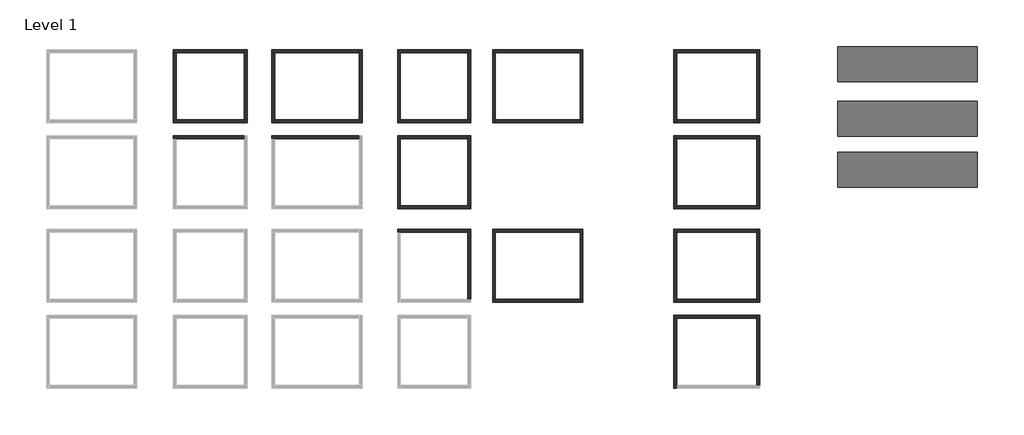
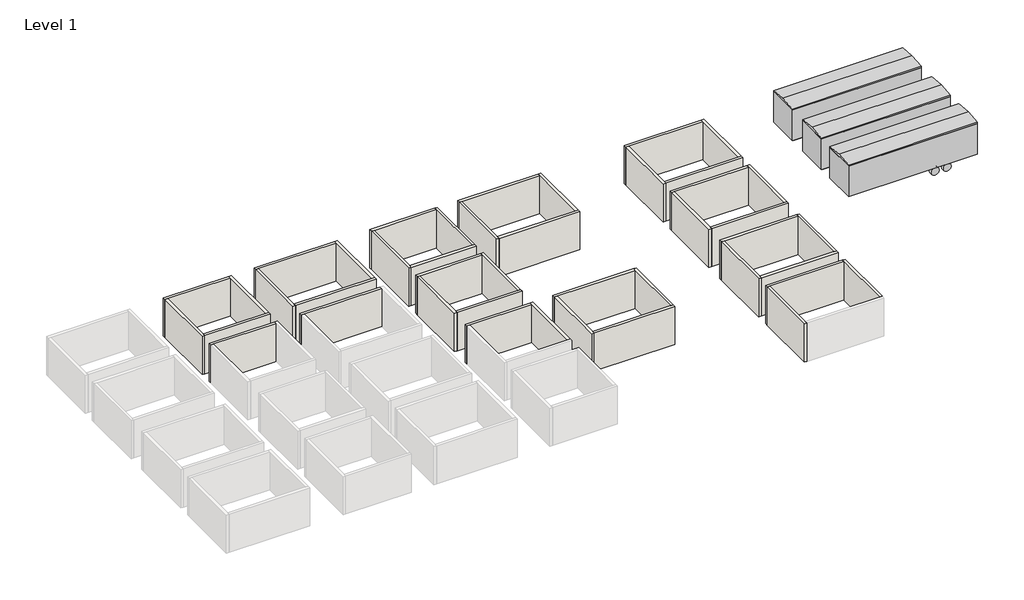
# One storey, part 2 of 2: 43 walls, 3 geographic elements.
"""IFC4 building model written with IfcOpenShell, lengths in millimetres."""

import ifcopenshell
import ifcopenshell.guid

model = None  # the IFC model being written
_history = None  # IfcOwnerHistory: only IFC2X3 demands one
_inside = {}  # id of a spatial element -> (the spatial element, [elements in it])
_under = {}  # id of a project, library or spatial element -> (it, [spatial elements below it])
_declared = {}  # id of a project -> (the project, [libraries it declares])
_typed = {}  # id of a type object -> (the type object, [elements of that type])
_made_of = {}  # id of a material, layer set ... -> (it, [elements and type objects made of it])


def new_model(schema):
    """Start an empty IFC model of exactly this schema.

    Asked for "IFC4X3", IfcOpenShell would pick the latest addendum, in which some entities
    have other attributes; the version numbers below select the first issue.
    IFC2X3 requires an IfcOwnerHistory on every rooted entity: one is made here for all.
    """
    global model, _history
    if schema == "IFC4X3":
        model = ifcopenshell.file(schema_version=(4, 3, 0, 0))
    else:
        model = ifcopenshell.file(schema=schema)
    _inside.clear()
    _under.clear()
    _declared.clear()
    _typed.clear()
    _made_of.clear()
    _history = None
    if model.schema == "IFC2X3":
        org = make("IfcOrganization", Name="unknown")
        user = make(
            "IfcPersonAndOrganization",
            ThePerson=make("IfcPerson", FamilyName="unknown"),
            TheOrganization=org,
        )
        app = make(
            "IfcApplication",
            ApplicationDeveloper=org,
            Version="unknown",
            ApplicationFullName="unknown",
            ApplicationIdentifier="unknown",
        )
        _history = make(
            "IfcOwnerHistory",
            OwningUser=user,
            OwningApplication=app,
            ChangeAction="ADDED",
            CreationDate=0,
        )
    return model


def make(cls, **values):
    """One entity of the class cls with the attributes given. An attribute that is None is left unset."""
    return model.create_entity(
        cls, **{name: value for name, value in values.items() if value is not None}
    )


def rooted(cls, **values):
    """An entity with a GlobalId (a new one), such as an element, a storey or a relation."""
    return make(cls, GlobalId=ifcopenshell.guid.new(), OwnerHistory=_history, **values)


def si_unit(unit_type, name, prefix=None):
    """IfcSIUnit, for example si_unit("LENGTHUNIT", "METRE", prefix="MILLI")."""
    return make("IfcSIUnit", UnitType=unit_type, Prefix=prefix, Name=name)


def assignment(units):
    """IfcUnitAssignment: the units of a project."""
    return None if units is None else make("IfcUnitAssignment", Units=units)


def point(xyz):
    """IfcCartesianPoint."""
    return None if xyz is None else make("IfcCartesianPoint", Coordinates=xyz)


def direction(xyz):
    """IfcDirection."""
    return None if xyz is None else make("IfcDirection", DirectionRatios=xyz)


def frame(location, z_axis=None, x_axis=None):
    """IfcAxis2Placement3D, a coordinate frame: its origin and axes. An axis left out is left unset."""
    return make(
        "IfcAxis2Placement3D",
        Location=point(location),
        Axis=direction(z_axis),
        RefDirection=direction(x_axis),
    )


def frame_2d(location, x_axis=None):
    """IfcAxis2Placement2D, a coordinate frame in the plane: its origin and x axis."""
    return make(
        "IfcAxis2Placement2D", Location=point(location), RefDirection=direction(x_axis)
    )


def origin():
    """The frame at (0, 0, 0) with its axes left unset."""
    return frame((0.0, 0.0, 0.0))


def place(relative_to, where):
    """IfcLocalPlacement: puts the frame where relative to a parent placement (None: the world)."""
    return make(
        "IfcLocalPlacement", PlacementRelTo=relative_to, RelativePlacement=where
    )


def context(
    kind, dimensions, precision=None, world=None, true_north=None, identifier=None
):
    """IfcGeometricRepresentationContext, for example the 3D "Model" context."""
    return make(
        "IfcGeometricRepresentationContext",
        ContextIdentifier=identifier,
        ContextType=kind,
        CoordinateSpaceDimension=dimensions,
        Precision=precision,
        WorldCoordinateSystem=world,
        TrueNorth=true_north,
    )


def project(units=None, contexts=None):
    """IfcProject with its units and contexts."""
    return rooted(
        "IfcProject",
        Name="project",
        RepresentationContexts=contexts,
        UnitsInContext=assignment(units),
    )


def spatial(cls, under=None, at=None, **own):
    """A site, building, storey or space (cls), placed at a placement, below another one or the project."""
    s = rooted(cls, ObjectPlacement=at, **own)
    if under is not None:
        _under.setdefault(under.id(), (under, []))[1].append(s)
    return s


def polyline(points):
    """IfcPolyline through the points."""
    return make("IfcPolyline", Points=[point(p) for p in points])


def circle_curve(where, radius):
    """IfcCircle in the frame where."""
    return make("IfcCircle", Position=where, Radius=radius)


def trimmed(basis, trim1, trim2, sense, master):
    """IfcTrimmedCurve: the piece of a basis curve between two trims."""
    return make(
        "IfcTrimmedCurve",
        BasisCurve=basis,
        Trim1=trim1,
        Trim2=trim2,
        SenseAgreement=sense,
        MasterRepresentation=master,
    )


def segment(curve, same_sense, transition):
    """IfcCompositeCurveSegment."""
    return make(
        "IfcCompositeCurveSegment",
        Transition=transition,
        SameSense=same_sense,
        ParentCurve=curve,
    )


def composite_curve(segments, self_intersect=None):
    """IfcCompositeCurve: segments joined end to end."""
    return make("IfcCompositeCurve", Segments=segments, SelfIntersect=self_intersect)


def outline(outer, holes=None, kind="AREA"):
    """IfcArbitraryClosedProfileDef: a profile drawn as a closed curve; with holes, ...WithVoids."""
    if holes is None:
        return make("IfcArbitraryClosedProfileDef", ProfileType=kind, OuterCurve=outer)
    return make(
        "IfcArbitraryProfileDefWithVoids",
        ProfileType=kind,
        OuterCurve=outer,
        InnerCurves=holes,
    )


def extrude(swept, where, along, depth):
    """IfcExtrudedAreaSolid: the profile swept, set in the frame where, extruded along a direction by depth."""
    return make(
        "IfcExtrudedAreaSolid",
        SweptArea=swept,
        Position=where,
        ExtrudedDirection=direction(along),
        Depth=depth,
    )


def faces_of(points, faces, orient=None, outer=None):
    """IfcFace entities. A face is a list of loops; a loop is a list of indices into points, from 0.

    orient and outer hold one flag for each loop. By default every Orientation is true, the
    first loop of a face is its IfcFaceOuterBound and the others are IfcFaceBound.
    """
    made = []
    for i, loops in enumerate(faces):
        bounds = []
        for j, loop in enumerate(loops):
            is_outer = j == 0 if outer is None else outer[i][j]
            bounds.append(
                make(
                    "IfcFaceOuterBound" if is_outer else "IfcFaceBound",
                    Bound=make("IfcPolyLoop", Polygon=[points[k] for k in loop]),
                    Orientation=True if orient is None else orient[i][j],
                )
            )
        made.append(make("IfcFace", Bounds=bounds))
    return made


def faceted_brep(points, faces, orient=None, outer=None, voids=None):
    """IfcFacetedBrep: a solid bounded by flat faces; with voids (closed shells), ...WithVoids."""
    shared = [point(p) for p in points]
    hull = make("IfcClosedShell", CfsFaces=faces_of(shared, faces, orient, outer))
    if voids is None:
        return make("IfcFacetedBrep", Outer=hull)
    return make(
        "IfcFacetedBrepWithVoids",
        Outer=hull,
        Voids=[
            make(cls, CfsFaces=faces_of(shared, fs, o, b)) for cls, fs, o, b in voids
        ],
    )


def shape(context_of_items, identifier, shape_type, items):
    """IfcShapeRepresentation: the items that make up one representation, for example the "Body"."""
    return make(
        "IfcShapeRepresentation",
        ContextOfItems=context_of_items,
        RepresentationIdentifier=identifier,
        RepresentationType=shape_type,
        Items=items,
    )


def source(mapping_origin, context_of_items, identifier, shape_type, items):
    """IfcRepresentationMap: a shape defined once, which mapped items show again and again."""
    return make(
        "IfcRepresentationMap",
        MappingOrigin=mapping_origin,
        MappedRepresentation=shape(context_of_items, identifier, shape_type, items),
    )


def transform(
    local_origin,
    x_axis=None,
    y_axis=None,
    z_axis=None,
    scale=None,
    scale2=None,
    scale3=None,
    uniform=True,
):
    """IfcCartesianTransformationOperator3D, or its non-uniform kind. x_axis, y_axis, z_axis: its Axis1, 2, 3."""
    if uniform:
        return make(
            "IfcCartesianTransformationOperator3D",
            Axis1=direction(x_axis),
            Axis2=direction(y_axis),
            LocalOrigin=point(local_origin),
            Scale=scale,
            Axis3=direction(z_axis),
        )
    return make(
        "IfcCartesianTransformationOperator3DnonUniform",
        Axis1=direction(x_axis),
        Axis2=direction(y_axis),
        LocalOrigin=point(local_origin),
        Scale=scale,
        Axis3=direction(z_axis),
        Scale2=scale2,
        Scale3=scale3,
    )


def mapped(mapping_source, mapping_target):
    """IfcMappedItem: shows the shape of a source again, moved by a transform."""
    return make(
        "IfcMappedItem", MappingSource=mapping_source, MappingTarget=mapping_target
    )


def made_of(thing, what):
    """Note that an element or type object is made of a material, layer set ...; save() writes the relation."""
    if what is not None:
        _made_of.setdefault(what.id(), (what, []))[1].append(thing)
    return thing


def element(
    cls,
    number,
    at=None,
    inside=None,
    cuts=None,
    type_object=None,
    material=None,
    context=None,
    identifier="Body",
    shape_type=None,
    held_by="IfcProductDefinitionShape",
    body=None,
    shapes=None,
    **own,
):
    """One element of the class cls, such as IfcWall. Its Tag is "e" and its number.

    at: its placement. inside: the storey or other place that contains it. cuts: it is an
    opening in that element (IfcRelVoidsElement). A single representation is given by context,
    identifier, shape_type and body (its items); several are given by shapes. held_by: the class
    of the entity that holds the representations. save() writes the other relations.
    """
    e = rooted(cls, Tag="e%d" % number, ObjectPlacement=at, **own)
    if body is not None:
        shapes = [shape(context, identifier, shape_type, body)]
    if shapes is not None:
        e.Representation = make(held_by, Representations=shapes)
    if inside is not None:
        _inside.setdefault(inside.id(), (inside, []))[1].append(e)
    if cuts is not None:
        rooted(
            "IfcRelVoidsElement", RelatingBuildingElement=cuts, RelatedOpeningElement=e
        )
    if type_object is not None:
        _typed.setdefault(type_object.id(), (type_object, []))[1].append(e)
    return made_of(e, material)


def aggregate(whole, parts):
    """IfcRelAggregates: a whole, such as a stair, and the parts it consists of."""
    return rooted("IfcRelAggregates", RelatingObject=whole, RelatedObjects=parts)


def save(model, path):
    """Write the relations noted so far, then the file.

    IfcRelAggregates (storeys below a building ...), IfcRelContainedInSpatialStructure (elements
    in a storey), IfcRelDefinesByType, IfcRelAssociatesMaterial and IfcRelDeclares: one each for
    every whole, place, type object, material and project.
    """
    for whole, parts in _under.values():
        aggregate(whole, parts)
    for where, things in _inside.values():
        rooted(
            "IfcRelContainedInSpatialStructure",
            RelatedElements=things,
            RelatingStructure=where,
        )
    for kind, things in _typed.values():
        rooted("IfcRelDefinesByType", RelatedObjects=things, RelatingType=kind)
    for what, things in _made_of.values():
        rooted("IfcRelAssociatesMaterial", RelatedObjects=things, RelatingMaterial=what)
    for by, libraries in _declared.values():
        rooted("IfcRelDeclares", RelatingContext=by, RelatedDefinitions=libraries)
    model.write(path)


def construction_trailer_32_a067dfd5(model_context):
    return source(origin(), model_context, "Body", "SweptSolid", [
        extrude(outline(polyline([(4876.8, 1219.2), (4876.8, -1219.2), (-4876.8, -1219.2), (-4876.8, 1219.2), (4876.8, 1219.2)])), frame((0.0, 0.0, 762.0), z_axis=(0.0, 0.0, 1.0), x_axis=(1.0, 0.0, 0.0)), (0.0, 0.0, 1.0), 2438.4),
        extrude(outline(composite_curve([segment(trimmed(circle_curve(frame_2d((300.5237604, 2722.1639401)), 304.8), [point((605.3237604, 2722.1639401))], [point((-4.2762396, 2722.1639401))], False, "CARTESIAN"), True, "CONTINUOUS"), segment(trimmed(circle_curve(frame_2d((300.5237604, 2722.1639401)), 304.8), [point((-4.2762396, 2722.1639401))], [point((605.3237604, 2722.1639401))], False, "CARTESIAN"), True, "CONTINUOUS")], self_intersect=False)), frame((0.0, 767.9364473, 0.0), z_axis=(0.0, 1.0, 0.0), x_axis=(0.0, 0.0, 1.0)), (0.0, 0.0, 1.0), 206.9356151),
        extrude(outline(composite_curve([segment(trimmed(circle_curve(frame_2d((300.5237604, 1807.7639401)), 304.8), [point((605.3237604, 1807.7639401))], [point((-4.2762396, 1807.7639401))], False, "CARTESIAN"), True, "CONTINUOUS"), segment(trimmed(circle_curve(frame_2d((300.5237604, 1807.7639401)), 304.8), [point((-4.2762396, 1807.7639401))], [point((605.3237604, 1807.7639401))], False, "CARTESIAN"), True, "CONTINUOUS")], self_intersect=False)), frame((0.0, 767.9364473, 0.0), z_axis=(0.0, 1.0, 0.0), x_axis=(0.0, 0.0, 1.0)), (0.0, 0.0, 1.0), 206.9869902),
        extrude(outline(composite_curve([segment(trimmed(circle_curve(frame_2d((300.5237604, 2722.1639401)), 304.8), [point((605.3237604, 2722.1639401))], [point((-4.2762396, 2722.1639401))], False, "CARTESIAN"), True, "CONTINUOUS"), segment(trimmed(circle_curve(frame_2d((300.5237604, 2722.1639401)), 304.8), [point((-4.2762396, 2722.1639401))], [point((605.3237604, 2722.1639401))], False, "CARTESIAN"), True, "CONTINUOUS")], self_intersect=False)), frame((0.0, -974.8720623, 0.0), z_axis=(0.0, 1.0, 0.0), x_axis=(0.0, 0.0, 1.0)), (0.0, 0.0, 1.0), 206.9356151),
        extrude(outline(composite_curve([segment(trimmed(circle_curve(frame_2d((300.5237604, 1807.7639401)), 304.8), [point((605.3237604, 1807.7639401))], [point((-4.2762396, 1807.7639401))], False, "CARTESIAN"), True, "CONTINUOUS"), segment(trimmed(circle_curve(frame_2d((300.5237604, 1807.7639401)), 304.8), [point((-4.2762396, 1807.7639401))], [point((605.3237604, 1807.7639401))], False, "CARTESIAN"), True, "CONTINUOUS")], self_intersect=False)), frame((0.0, -974.8720623, 0.0), z_axis=(0.0, 1.0, 0.0), x_axis=(0.0, 0.0, 1.0)), (0.0, 0.0, 1.0), 206.9356151),
        extrude(outline(polyline([(1219.2, 3302.0), (1219.2, 3200.4), (-1219.2, 3200.4), (-1219.2, 3302.0), (0.0, 3416.0590808), (1219.2, 3302.0)])), frame((-4876.8, 0.0, 0.0), z_axis=(1.0, 0.0, 0.0), x_axis=(0.0, 1.0, 0.0)), (0.0, 0.0, 1.0), 9753.6),
        extrude(outline(polyline([(4724.4, -1066.8), (-4724.4, -1066.8), (-4724.4, 1066.8), (4724.4, 1066.8), (4724.4, -1066.8)])), frame((0.0, 0.0, 640.3643069), z_axis=(0.0, 0.0, 1.0), x_axis=(1.0, 0.0, 0.0)), (0.0, 0.0, 1.0), 121.6356931),
    ])


model = new_model("IFC4")

# Units and contexts
model_context = context("Model", 3, world=origin())
ifc_project = project(units=[si_unit("LENGTHUNIT", "METRE", prefix="MILLI")], contexts=[model_context])

# Site, building, storey
site = spatial("IfcSite", under=ifc_project)
building = spatial("IfcBuilding", under=site)
storey = spatial("IfcBuildingStorey", under=building, Name="Level 1", Elevation=0.0)

# Geographic elements
placement = place(None, origin())
construction_trailer_32_shape = construction_trailer_32_a067dfd5(model_context)
element("IfcGeographicElement", 1, ObjectType="Construction Trailer : 32'", at=placement, inside=storey, context=model_context, shape_type="MappedRepresentation", body=[
    mapped(construction_trailer_32_shape, transform((53406.9980166, 21923.7118733, 0.0), x_axis=(1.0, 0.0, 0.0), y_axis=(0.0, 1.0, 0.0), z_axis=(0.0, 0.0, 1.0))),
])
element("IfcGeographicElement", 2, ObjectType="Construction Trailer : 32'", at=placement, inside=storey, context=model_context, shape_type="MappedRepresentation", body=[
    mapped(construction_trailer_32_shape, transform((53406.9980166, 18113.0593029, 0.0), x_axis=(1.0, 0.0, 0.0), y_axis=(0.0, 1.0, 0.0), z_axis=(0.0, 0.0, 1.0))),
])
element("IfcGeographicElement", 3, ObjectType="Construction Trailer : 32'", at=placement, inside=storey, context=model_context, shape_type="MappedRepresentation", body=[
    mapped(construction_trailer_32_shape, transform((53406.9980166, 14557.0593029, 0.0), x_axis=(1.0, 0.0, 0.0), y_axis=(0.0, 1.0, 0.0), z_axis=(0.0, 0.0, 1.0))),
])

# Walls
element("IfcWall", 4, ObjectType="Generic - 8\"", at=placement, inside=storey, context=model_context, shape_type="Brep", body=[
    faceted_brep([(2231.7865859, 22706.2571144, 0.0), (2434.9865859, 22706.2571144, 0.0), (7178.1329728, 22706.2571144, 0.0), (7178.1329728, 22706.2571144, 3048.0), (2434.9865859, 22706.2571144, 3048.0), (2231.7865859, 22706.2571144, 3048.0), (2231.7865859, 22909.4571144, 0.0), (2231.7865859, 22909.4571144, 3048.0), (7178.1329728, 22909.4571144, 3048.0), (7178.1329728, 22909.4571144, 0.0)], [[[0, 1, 2, 3, 4, 5]], [[6, 7, 8, 9]], [[2, 1, 0, 6, 9]], [[5, 4, 3, 8, 7]], [[0, 5, 7, 6]], [[3, 2, 9, 8]]]),
])
element("IfcWall", 5, ObjectType="Generic - 8\"", at=placement, inside=storey, context=model_context, shape_type="Brep", body=[
    faceted_brep([(2434.9865859, 17829.4571144, 0.0), (2434.9865859, 18032.6571144, 0.0), (2434.9865859, 22706.2571144, 0.0), (2434.9865859, 22706.2571144, 3048.0), (2434.9865859, 18032.6571144, 3048.0), (2434.9865859, 17829.4571144, 3048.0), (2231.7865859, 17829.4571144, 0.0), (2231.7865859, 17829.4571144, 3048.0), (2231.7865859, 22706.2571144, 3048.0), (2231.7865859, 22706.2571144, 0.0)], [[[0, 1, 2, 3, 4, 5]], [[6, 7, 8, 9]], [[2, 1, 0, 6, 9]], [[5, 4, 3, 8, 7]], [[0, 5, 7, 6]], [[3, 2, 9, 8]]]),
])
element("IfcWall", 6, ObjectType="Generic - 8\"", at=placement, inside=storey, context=model_context, shape_type="Brep", body=[
    faceted_brep([(7381.3329728, 18032.6571144, 0.0), (7178.1329728, 18032.6571144, 0.0), (2434.9865859, 18032.6571144, 0.0), (2434.9865859, 18032.6571144, 3048.0), (7178.1329728, 18032.6571144, 3048.0), (7381.3329728, 18032.6571144, 3048.0), (7381.3329728, 17829.4571144, 0.0), (7381.3329728, 17829.4571144, 3048.0), (2434.9865859, 17829.4571144, 3048.0), (2434.9865859, 17829.4571144, 0.0)], [[[0, 1, 2, 3, 4, 5]], [[6, 7, 8, 9]], [[2, 1, 0, 6, 9]], [[5, 4, 3, 8, 7]], [[0, 5, 7, 6]], [[3, 2, 9, 8]]]),
])
element("IfcWall", 7, ObjectType="Generic - 8\"", at=placement, inside=storey, context=model_context, shape_type="Brep", body=[
    faceted_brep([(7178.1329728, 22909.4571144, 0.0), (7178.1329728, 22706.2571144, 0.0), (7178.1329728, 18032.6571144, 0.0), (7178.1329728, 18032.6571144, 3048.0), (7178.1329728, 22706.2571144, 3048.0), (7178.1329728, 22909.4571144, 3048.0), (7381.3329728, 22909.4571144, 0.0), (7381.3329728, 22909.4571144, 3048.0), (7381.3329728, 18032.6571144, 3048.0), (7381.3329728, 18032.6571144, 0.0)], [[[0, 1, 2, 3, 4, 5]], [[6, 7, 8, 9]], [[2, 1, 0, 6, 9]], [[5, 4, 3, 8, 7]], [[0, 5, 7, 6]], [[3, 2, 9, 8]]]),
])
element("IfcWall", 8, ObjectType="Generic - 8\"", at=placement, inside=storey, context=model_context, shape_type="Brep", body=[
    faceted_brep([(2231.7865859, 16711.204544, 0.0), (2434.9865859, 16711.204544, 0.0), (7178.1329728, 16711.204544, 0.0), (7178.1329728, 16711.204544, 3048.0), (2434.9865859, 16711.204544, 3048.0), (2231.7865859, 16711.204544, 3048.0), (2231.7865859, 16914.404544, 0.0), (2231.7865859, 16914.404544, 3048.0), (7178.1329728, 16914.404544, 3048.0), (7178.1329728, 16914.404544, 0.0)], [[[0, 1, 2, 3, 4, 5]], [[6, 7, 8, 9]], [[2, 1, 0, 6, 9]], [[5, 4, 3, 8, 7]], [[0, 5, 7, 6]], [[3, 2, 9, 8]]]),
])
element("IfcWall", 9, ObjectType="Generic - 8\"", at=placement, inside=storey, context=model_context, shape_type="Brep", body=[
    faceted_brep([(9091.6867594, 22706.2571144, 0.0), (9294.8867594, 22706.2571144, 0.0), (15187.6867594, 22706.2571144, 0.0), (15187.6867594, 22706.2571144, 3048.0), (9294.8867594, 22706.2571144, 3048.0), (9091.6867594, 22706.2571144, 3048.0), (9091.6867594, 22909.4571144, 0.0), (9091.6867594, 22909.4571144, 3048.0), (15187.6867594, 22909.4571144, 3048.0), (15187.6867594, 22909.4571144, 0.0)], [[[0, 1, 2, 3, 4, 5]], [[6, 7, 8, 9]], [[2, 1, 0, 6, 9]], [[5, 4, 3, 8, 7]], [[0, 5, 7, 6]], [[3, 2, 9, 8]]]),
])
element("IfcWall", 10, ObjectType="Generic - 8\"", at=placement, inside=storey, context=model_context, shape_type="Brep", body=[
    faceted_brep([(9294.8867594, 17829.4571144, 0.0), (9294.8867594, 18032.6571144, 0.0), (9294.8867594, 22706.2571144, 0.0), (9294.8867594, 22706.2571144, 3048.0), (9294.8867594, 18032.6571144, 3048.0), (9294.8867594, 17829.4571144, 3048.0), (9091.6867594, 17829.4571144, 0.0), (9091.6867594, 17829.4571144, 3048.0), (9091.6867594, 22706.2571144, 3048.0), (9091.6867594, 22706.2571144, 0.0)], [[[0, 1, 2, 3, 4, 5]], [[6, 7, 8, 9]], [[2, 1, 0, 6, 9]], [[5, 4, 3, 8, 7]], [[0, 5, 7, 6]], [[3, 2, 9, 8]]]),
])
element("IfcWall", 11, ObjectType="Generic - 8\"", at=placement, inside=storey, context=model_context, shape_type="Brep", body=[
    faceted_brep([(15390.8867594, 18032.6571144, 0.0), (15187.6867594, 18032.6571144, 0.0), (9294.8867594, 18032.6571144, 0.0), (9294.8867594, 18032.6571144, 3048.0), (15187.6867594, 18032.6571144, 3048.0), (15390.8867594, 18032.6571144, 3048.0), (15390.8867594, 17829.4571144, 0.0), (15390.8867594, 17829.4571144, 3048.0), (9294.8867594, 17829.4571144, 3048.0), (9294.8867594, 17829.4571144, 0.0)], [[[0, 1, 2, 3, 4, 5]], [[6, 7, 8, 9]], [[2, 1, 0, 6, 9]], [[5, 4, 3, 8, 7]], [[0, 5, 7, 6]], [[3, 2, 9, 8]]]),
])
element("IfcWall", 12, ObjectType="Generic - 8\"", at=placement, inside=storey, context=model_context, shape_type="Brep", body=[
    faceted_brep([(15187.6867594, 22909.4571144, 0.0), (15187.6867594, 22706.2571144, 0.0), (15187.6867594, 18032.6571144, 0.0), (15187.6867594, 18032.6571144, 3048.0), (15187.6867594, 22706.2571144, 3048.0), (15187.6867594, 22909.4571144, 3048.0), (15390.8867594, 22909.4571144, 0.0), (15390.8867594, 22909.4571144, 3048.0), (15390.8867594, 18032.6571144, 3048.0), (15390.8867594, 18032.6571144, 0.0)], [[[0, 1, 2, 3, 4, 5]], [[6, 7, 8, 9]], [[2, 1, 0, 6, 9]], [[5, 4, 3, 8, 7]], [[0, 5, 7, 6]], [[3, 2, 9, 8]]]),
])
element("IfcWall", 13, ObjectType="Generic - 8\"", at=placement, inside=storey, context=model_context, shape_type="Brep", body=[
    faceted_brep([(9091.6867594, 16711.204544, 0.0), (9294.8867594, 16711.204544, 0.0), (15187.6867594, 16711.204544, 0.0), (15187.6867594, 16711.204544, 3048.0), (9294.8867594, 16711.204544, 3048.0), (9091.6867594, 16711.204544, 3048.0), (9091.6867594, 16914.404544, 0.0), (9091.6867594, 16914.404544, 3048.0), (15187.6867594, 16914.404544, 3048.0), (15187.6867594, 16914.404544, 0.0)], [[[0, 1, 2, 3, 4, 5]], [[6, 7, 8, 9]], [[2, 1, 0, 6, 9]], [[5, 4, 3, 8, 7]], [[0, 5, 7, 6]], [[3, 2, 9, 8]]]),
])
element("IfcWall", 14, ObjectType="Generic - 8\"", at=placement, inside=storey, context=model_context, shape_type="Brep", body=[
    faceted_brep([(17858.4002117, 22706.2571144, 0.0), (18061.6002117, 22706.2571144, 0.0), (22763.6720621, 22706.2571144, 0.0), (22763.6720621, 22706.2571144, 3048.0), (18061.6002117, 22706.2571144, 3048.0), (17858.4002117, 22706.2571144, 3048.0), (17858.4002117, 22909.4571144, 0.0), (17858.4002117, 22909.4571144, 3048.0), (22763.6720621, 22909.4571144, 3048.0), (22763.6720621, 22909.4571144, 0.0)], [[[0, 1, 2, 3, 4, 5]], [[6, 7, 8, 9]], [[2, 1, 0, 6, 9]], [[5, 4, 3, 8, 7]], [[0, 5, 7, 6]], [[3, 2, 9, 8]]]),
])
element("IfcWall", 15, ObjectType="Generic - 8\"", at=placement, inside=storey, context=model_context, shape_type="Brep", body=[
    faceted_brep([(18061.6002117, 17829.4571144, 0.0), (18061.6002117, 18032.6571144, 0.0), (18061.6002117, 22706.2571144, 0.0), (18061.6002117, 22706.2571144, 3048.0), (18061.6002117, 18032.6571144, 3048.0), (18061.6002117, 17829.4571144, 3048.0), (17858.4002117, 17829.4571144, 0.0), (17858.4002117, 17829.4571144, 3048.0), (17858.4002117, 22706.2571144, 3048.0), (17858.4002117, 22706.2571144, 0.0)], [[[0, 1, 2, 3, 4, 5]], [[6, 7, 8, 9]], [[2, 1, 0, 6, 9]], [[5, 4, 3, 8, 7]], [[0, 5, 7, 6]], [[3, 2, 9, 8]]]),
])
element("IfcWall", 16, ObjectType="Generic - 8\"", at=placement, inside=storey, context=model_context, shape_type="Brep", body=[
    faceted_brep([(22966.8720621, 18032.6571144, 0.0), (22763.6720621, 18032.6571144, 0.0), (18061.6002117, 18032.6571144, 0.0), (18061.6002117, 18032.6571144, 3048.0), (22763.6720621, 18032.6571144, 3048.0), (22966.8720621, 18032.6571144, 3048.0), (22966.8720621, 17829.4571144, 0.0), (22966.8720621, 17829.4571144, 3048.0), (18061.6002117, 17829.4571144, 3048.0), (18061.6002117, 17829.4571144, 0.0)], [[[0, 1, 2, 3, 4, 5]], [[6, 7, 8, 9]], [[2, 1, 0, 6, 9]], [[5, 4, 3, 8, 7]], [[0, 5, 7, 6]], [[3, 2, 9, 8]]]),
])
element("IfcWall", 17, ObjectType="Generic - 8\"", at=placement, inside=storey, context=model_context, shape_type="Brep", body=[
    faceted_brep([(22763.6720621, 22909.4571144, 0.0), (22763.6720621, 22706.2571144, 0.0), (22763.6720621, 18032.6571144, 0.0), (22763.6720621, 18032.6571144, 3048.0), (22763.6720621, 22706.2571144, 3048.0), (22763.6720621, 22909.4571144, 3048.0), (22966.8720621, 22909.4571144, 0.0), (22966.8720621, 22909.4571144, 3048.0), (22966.8720621, 18032.6571144, 3048.0), (22966.8720621, 18032.6571144, 0.0)], [[[0, 1, 2, 3, 4, 5]], [[6, 7, 8, 9]], [[2, 1, 0, 6, 9]], [[5, 4, 3, 8, 7]], [[0, 5, 7, 6]], [[3, 2, 9, 8]]]),
])
element("IfcWall", 18, ObjectType="Generic - 8\"", at=placement, inside=storey, context=model_context, shape_type="Brep", body=[
    faceted_brep([(17858.4002117, 16711.204544, 0.0), (18061.6002117, 16711.204544, 0.0), (22763.6720621, 16711.204544, 0.0), (22763.6720621, 16711.204544, 3048.0), (18061.6002117, 16711.204544, 3048.0), (17858.4002117, 16711.204544, 3048.0), (17858.4002117, 16914.404544, 0.0), (17858.4002117, 16914.404544, 3048.0), (22763.6720621, 16914.404544, 3048.0), (22763.6720621, 16914.404544, 0.0)], [[[0, 1, 2, 3, 4, 5]], [[6, 7, 8, 9]], [[2, 1, 0, 6, 9]], [[5, 4, 3, 8, 7]], [[0, 5, 7, 6]], [[3, 2, 9, 8]]]),
])
element("IfcWall", 19, ObjectType="Generic - 8\"", at=placement, inside=storey, context=model_context, shape_type="Brep", body=[
    faceted_brep([(18061.6002117, 11837.9932938, 0.0), (18061.6002117, 12041.1932938, 0.0), (18061.6002117, 16711.204544, 0.0), (18061.6002117, 16711.204544, 3048.0), (18061.6002117, 12041.1932938, 3048.0), (18061.6002117, 11837.9932938, 3048.0), (17858.4002117, 11837.9932938, 0.0), (17858.4002117, 11837.9932938, 3048.0), (17858.4002117, 16711.204544, 3048.0), (17858.4002117, 16711.204544, 0.0)], [[[0, 1, 2, 3, 4, 5]], [[6, 7, 8, 9]], [[2, 1, 0, 6, 9]], [[5, 4, 3, 8, 7]], [[0, 5, 7, 6]], [[3, 2, 9, 8]]]),
])
element("IfcWall", 20, ObjectType="Generic - 8\"", at=placement, inside=storey, context=model_context, shape_type="Brep", body=[
    faceted_brep([(22966.8720621, 12041.1932938, 0.0), (22763.6720621, 12041.1932938, 0.0), (18061.6002117, 12041.1932938, 0.0), (18061.6002117, 12041.1932938, 3048.0), (22763.6720621, 12041.1932938, 3048.0), (22966.8720621, 12041.1932938, 3048.0), (22966.8720621, 11837.9932938, 0.0), (22966.8720621, 11837.9932938, 3048.0), (18061.6002117, 11837.9932938, 3048.0), (18061.6002117, 11837.9932938, 0.0)], [[[0, 1, 2, 3, 4, 5]], [[6, 7, 8, 9]], [[2, 1, 0, 6, 9]], [[5, 4, 3, 8, 7]], [[0, 5, 7, 6]], [[3, 2, 9, 8]]]),
])
element("IfcWall", 21, ObjectType="Generic - 8\"", at=placement, inside=storey, context=model_context, shape_type="Brep", body=[
    faceted_brep([(22763.6720621, 16914.404544, 0.0), (22763.6720621, 16711.204544, 0.0), (22763.6720621, 12041.1932938, 0.0), (22763.6720621, 12041.1932938, 3048.0), (22763.6720621, 16711.204544, 3048.0), (22763.6720621, 16914.404544, 3048.0), (22966.8720621, 16914.404544, 0.0), (22966.8720621, 16914.404544, 3048.0), (22966.8720621, 12041.1932938, 3048.0), (22966.8720621, 12041.1932938, 0.0)], [[[0, 1, 2, 3, 4, 5]], [[6, 7, 8, 9]], [[2, 1, 0, 6, 9]], [[5, 4, 3, 8, 7]], [[0, 5, 7, 6]], [[3, 2, 9, 8]]]),
])
element("IfcWall", 22, ObjectType="Generic - 8\"", at=placement, inside=storey, context=model_context, shape_type="Brep", body=[
    faceted_brep([(24484.0867594, 22706.2571144, 0.0), (24687.2867594, 22706.2571144, 0.0), (30580.0867594, 22706.2571144, 0.0), (30580.0867594, 22706.2571144, 3048.0), (24687.2867594, 22706.2571144, 3048.0), (24484.0867594, 22706.2571144, 3048.0), (24484.0867594, 22909.4571144, 0.0), (24484.0867594, 22909.4571144, 3048.0), (30580.0867594, 22909.4571144, 3048.0), (30580.0867594, 22909.4571144, 0.0)], [[[0, 1, 2, 3, 4, 5]], [[6, 7, 8, 9]], [[2, 1, 0, 6, 9]], [[5, 4, 3, 8, 7]], [[0, 5, 7, 6]], [[3, 2, 9, 8]]]),
])
element("IfcWall", 23, ObjectType="Generic - 8\"", at=placement, inside=storey, context=model_context, shape_type="Brep", body=[
    faceted_brep([(24687.2867594, 17829.4571144, 0.0), (24687.2867594, 18032.6571144, 0.0), (24687.2867594, 22706.2571144, 0.0), (24687.2867594, 22706.2571144, 3048.0), (24687.2867594, 18032.6571144, 3048.0), (24687.2867594, 17829.4571144, 3048.0), (24484.0867594, 17829.4571144, 0.0), (24484.0867594, 17829.4571144, 3048.0), (24484.0867594, 22706.2571144, 3048.0), (24484.0867594, 22706.2571144, 0.0)], [[[0, 1, 2, 3, 4, 5]], [[6, 7, 8, 9]], [[2, 1, 0, 6, 9]], [[5, 4, 3, 8, 7]], [[0, 5, 7, 6]], [[3, 2, 9, 8]]]),
])
element("IfcWall", 24, ObjectType="Generic - 8\"", at=placement, inside=storey, context=model_context, shape_type="Brep", body=[
    faceted_brep([(30783.2867594, 18032.6571144, 0.0), (30580.0867594, 18032.6571144, 0.0), (24687.2867594, 18032.6571144, 0.0), (24687.2867594, 18032.6571144, 3048.0), (30580.0867594, 18032.6571144, 3048.0), (30783.2867594, 18032.6571144, 3048.0), (30783.2867594, 17829.4571144, 0.0), (30783.2867594, 17829.4571144, 3048.0), (24687.2867594, 17829.4571144, 3048.0), (24687.2867594, 17829.4571144, 0.0)], [[[0, 1, 2, 3, 4, 5]], [[6, 7, 8, 9]], [[2, 1, 0, 6, 9]], [[5, 4, 3, 8, 7]], [[0, 5, 7, 6]], [[3, 2, 9, 8]]]),
])
element("IfcWall", 25, ObjectType="Generic - 8\"", at=placement, inside=storey, context=model_context, shape_type="Brep", body=[
    faceted_brep([(30580.0867594, 22909.4571144, 0.0), (30580.0867594, 22706.2571144, 0.0), (30580.0867594, 18032.6571144, 0.0), (30580.0867594, 18032.6571144, 3048.0), (30580.0867594, 22706.2571144, 3048.0), (30580.0867594, 22909.4571144, 3048.0), (30783.2867594, 22909.4571144, 0.0), (30783.2867594, 22909.4571144, 3048.0), (30783.2867594, 18032.6571144, 3048.0), (30783.2867594, 18032.6571144, 0.0)], [[[0, 1, 2, 3, 4, 5]], [[6, 7, 8, 9]], [[2, 1, 0, 6, 9]], [[5, 4, 3, 8, 7]], [[0, 5, 7, 6]], [[3, 2, 9, 8]]]),
])
element("IfcWall", 26, ObjectType="Generic - 8\"", at=placement, inside=storey, context=model_context, shape_type="Brep", body=[
    faceted_brep([(17858.4002117, 10209.4571144, 0.0), (18061.6002117, 10209.4571144, 0.0), (22763.6720621, 10209.4571144, 0.0), (22763.6720621, 10209.4571144, 3048.0), (18061.6002117, 10209.4571144, 3048.0), (17858.4002117, 10209.4571144, 3048.0), (17858.4002117, 10412.6571144, 0.0), (17858.4002117, 10412.6571144, 3048.0), (22763.6720621, 10412.6571144, 3048.0), (22763.6720621, 10412.6571144, 0.0)], [[[0, 1, 2, 3, 4, 5]], [[6, 7, 8, 9]], [[2, 1, 0, 6, 9]], [[5, 4, 3, 8, 7]], [[0, 5, 7, 6]], [[3, 2, 9, 8]]]),
])
element("IfcWall", 27, ObjectType="Generic - 8\"", at=placement, inside=storey, context=model_context, shape_type="Brep", body=[
    faceted_brep([(22763.6720621, 10412.6571144, 0.0), (22763.6720621, 10209.4571144, 0.0), (22763.6720621, 5535.8571144, 0.0), (22763.6720621, 5535.8571144, 3048.0), (22763.6720621, 10209.4571144, 3048.0), (22763.6720621, 10412.6571144, 3048.0), (22966.8720621, 10412.6571144, 0.0), (22966.8720621, 10412.6571144, 3048.0), (22966.8720621, 5535.8571144, 3048.0), (22966.8720621, 5535.8571144, 0.0)], [[[0, 1, 2, 3, 4, 5]], [[6, 7, 8, 9]], [[2, 1, 0, 6, 9]], [[5, 4, 3, 8, 7]], [[0, 5, 7, 6]], [[3, 2, 9, 8]]]),
])
element("IfcWall", 28, ObjectType="Generic - 8\"", at=placement, inside=storey, context=model_context, shape_type="Brep", body=[
    faceted_brep([(24484.0867594, 10209.4571144, 0.0), (24687.2867594, 10209.4571144, 0.0), (30580.0867594, 10209.4571144, 0.0), (30580.0867594, 10209.4571144, 3048.0), (24687.2867594, 10209.4571144, 3048.0), (24484.0867594, 10209.4571144, 3048.0), (24484.0867594, 10412.6571144, 0.0), (24484.0867594, 10412.6571144, 3048.0), (30580.0867594, 10412.6571144, 3048.0), (30580.0867594, 10412.6571144, 0.0)], [[[0, 1, 2, 3, 4, 5]], [[6, 7, 8, 9]], [[2, 1, 0, 6, 9]], [[5, 4, 3, 8, 7]], [[0, 5, 7, 6]], [[3, 2, 9, 8]]]),
])
element("IfcWall", 29, ObjectType="Generic - 8\"", at=placement, inside=storey, context=model_context, shape_type="Brep", body=[
    faceted_brep([(24687.2867594, 5332.6571144, 0.0), (24687.2867594, 5535.8571144, 0.0), (24687.2867594, 10209.4571144, 0.0), (24687.2867594, 10209.4571144, 3048.0), (24687.2867594, 5535.8571144, 3048.0), (24687.2867594, 5332.6571144, 3048.0), (24484.0867594, 5332.6571144, 0.0), (24484.0867594, 5332.6571144, 3048.0), (24484.0867594, 10209.4571144, 3048.0), (24484.0867594, 10209.4571144, 0.0)], [[[0, 1, 2, 3, 4, 5]], [[6, 7, 8, 9]], [[2, 1, 0, 6, 9]], [[5, 4, 3, 8, 7]], [[0, 5, 7, 6]], [[3, 2, 9, 8]]]),
])
element("IfcWall", 30, ObjectType="Generic - 8\"", at=placement, inside=storey, context=model_context, shape_type="Brep", body=[
    faceted_brep([(30783.2867594, 5535.8571144, 0.0), (30580.0867594, 5535.8571144, 0.0), (24687.2867594, 5535.8571144, 0.0), (24687.2867594, 5535.8571144, 3048.0), (30580.0867594, 5535.8571144, 3048.0), (30783.2867594, 5535.8571144, 3048.0), (30783.2867594, 5332.6571144, 0.0), (30783.2867594, 5332.6571144, 3048.0), (24687.2867594, 5332.6571144, 3048.0), (24687.2867594, 5332.6571144, 0.0)], [[[0, 1, 2, 3, 4, 5]], [[6, 7, 8, 9]], [[2, 1, 0, 6, 9]], [[5, 4, 3, 8, 7]], [[0, 5, 7, 6]], [[3, 2, 9, 8]]]),
])
element("IfcWall", 31, ObjectType="Generic - 8\"", at=placement, inside=storey, context=model_context, shape_type="Brep", body=[
    faceted_brep([(30580.0867594, 10412.6571144, 0.0), (30580.0867594, 10209.4571144, 0.0), (30580.0867594, 5535.8571144, 0.0), (30580.0867594, 5535.8571144, 3048.0), (30580.0867594, 10209.4571144, 3048.0), (30580.0867594, 10412.6571144, 3048.0), (30783.2867594, 10412.6571144, 0.0), (30783.2867594, 10412.6571144, 3048.0), (30783.2867594, 5535.8571144, 3048.0), (30783.2867594, 5535.8571144, 0.0)], [[[0, 1, 2, 3, 4, 5]], [[6, 7, 8, 9]], [[2, 1, 0, 6, 9]], [[5, 4, 3, 8, 7]], [[0, 5, 7, 6]], [[3, 2, 9, 8]]]),
])
element("IfcWall", 32, ObjectType="Generic - 8\"", at=placement, inside=storey, context=model_context, shape_type="Brep", body=[
    faceted_brep([(37107.5588658, 22706.2571144, 0.0), (37310.7588658, 22706.2571144, 0.0), (42916.3785851, 22706.2571144, 0.0), (42916.3785851, 22706.2571144, 3048.0), (37310.7588658, 22706.2571144, 3048.0), (37107.5588658, 22706.2571144, 3048.0), (37107.5588658, 22909.4571144, 0.0), (37107.5588658, 22909.4571144, 3048.0), (42916.3785851, 22909.4571144, 3048.0), (42916.3785851, 22909.4571144, 0.0)], [[[0, 1, 2, 3, 4, 5]], [[6, 7, 8, 9]], [[2, 1, 0, 6, 9]], [[5, 4, 3, 8, 7]], [[0, 5, 7, 6]], [[3, 2, 9, 8]]]),
])
element("IfcWall", 33, ObjectType="Generic - 8\"", at=placement, inside=storey, context=model_context, shape_type="Brep", body=[
    faceted_brep([(37310.7588658, 17829.4571144, 0.0), (37310.7588658, 18032.6571144, 0.0), (37310.7588658, 22706.2571144, 0.0), (37310.7588658, 22706.2571144, 3048.0), (37310.7588658, 18032.6571144, 3048.0), (37310.7588658, 17829.4571144, 3048.0), (37107.5588658, 17829.4571144, 0.0), (37107.5588658, 17829.4571144, 3048.0), (37107.5588658, 22706.2571144, 3048.0), (37107.5588658, 22706.2571144, 0.0)], [[[0, 1, 2, 3, 4, 5]], [[6, 7, 8, 9]], [[2, 1, 0, 6, 9]], [[5, 4, 3, 8, 7]], [[0, 5, 7, 6]], [[3, 2, 9, 8]]]),
])
element("IfcWall", 34, ObjectType="Generic - 8\"", at=placement, inside=storey, context=model_context, shape_type="Brep", body=[
    faceted_brep([(43119.5785851, 18032.6571144, 0.0), (42916.3785851, 18032.6571144, 0.0), (37310.7588658, 18032.6571144, 0.0), (37310.7588658, 18032.6571144, 3048.0), (42916.3785851, 18032.6571144, 3048.0), (43119.5785851, 18032.6571144, 3048.0), (43119.5785851, 17829.4571144, 0.0), (43119.5785851, 17829.4571144, 3048.0), (37310.7588658, 17829.4571144, 3048.0), (37310.7588658, 17829.4571144, 0.0)], [[[0, 1, 2, 3, 4, 5]], [[6, 7, 8, 9]], [[2, 1, 0, 6, 9]], [[5, 4, 3, 8, 7]], [[0, 5, 7, 6]], [[3, 2, 9, 8]]]),
])
element("IfcWall", 35, ObjectType="Generic - 8\"", at=placement, inside=storey, context=model_context, shape_type="Brep", body=[
    faceted_brep([(42916.3785851, 22909.4571144, 0.0), (42916.3785851, 22706.2571144, 0.0), (42916.3785851, 18032.6571144, 0.0), (42916.3785851, 18032.6571144, 3048.0), (42916.3785851, 22706.2571144, 3048.0), (42916.3785851, 22909.4571144, 3048.0), (43119.5785851, 22909.4571144, 0.0), (43119.5785851, 22909.4571144, 3048.0), (43119.5785851, 18032.6571144, 3048.0), (43119.5785851, 18032.6571144, 0.0)], [[[0, 1, 2, 3, 4, 5]], [[6, 7, 8, 9]], [[2, 1, 0, 6, 9]], [[5, 4, 3, 8, 7]], [[0, 5, 7, 6]], [[3, 2, 9, 8]]]),
])
element("IfcWall", 36, ObjectType="Generic - 8\"", at=placement, inside=storey, context=model_context, shape_type="Brep", body=[
    faceted_brep([(37107.5588658, 16711.204544, 0.0), (37310.7588658, 16711.204544, 0.0), (42916.3785851, 16711.204544, 0.0), (42916.3785851, 16711.204544, 3048.0), (37310.7588658, 16711.204544, 3048.0), (37107.5588658, 16711.204544, 3048.0), (37107.5588658, 16914.404544, 0.0), (37107.5588658, 16914.404544, 3048.0), (42916.3785851, 16914.404544, 3048.0), (42916.3785851, 16914.404544, 0.0)], [[[0, 1, 2, 3, 4, 5]], [[6, 7, 8, 9]], [[2, 1, 0, 6, 9]], [[5, 4, 3, 8, 7]], [[0, 5, 7, 6]], [[3, 2, 9, 8]]]),
])
element("IfcWall", 37, ObjectType="Generic - 8\"", at=placement, inside=storey, context=model_context, shape_type="Brep", body=[
    faceted_brep([(37310.7588658, 11837.9932938, 0.0), (37310.7588658, 12041.1932938, 0.0), (37310.7588658, 16711.204544, 0.0), (37310.7588658, 16711.204544, 3048.0), (37310.7588658, 12041.1932938, 3048.0), (37310.7588658, 11837.9932938, 3048.0), (37107.5588658, 11837.9932938, 0.0), (37107.5588658, 11837.9932938, 3048.0), (37107.5588658, 16711.204544, 3048.0), (37107.5588658, 16711.204544, 0.0)], [[[0, 1, 2, 3, 4, 5]], [[6, 7, 8, 9]], [[2, 1, 0, 6, 9]], [[5, 4, 3, 8, 7]], [[0, 5, 7, 6]], [[3, 2, 9, 8]]]),
])
element("IfcWall", 38, ObjectType="Generic - 8\"", at=placement, inside=storey, context=model_context, shape_type="Brep", body=[
    faceted_brep([(43119.5785851, 12041.1932938, 0.0), (42916.3785851, 12041.1932938, 0.0), (37310.7588658, 12041.1932938, 0.0), (37310.7588658, 12041.1932938, 3048.0), (42916.3785851, 12041.1932938, 3048.0), (43119.5785851, 12041.1932938, 3048.0), (43119.5785851, 11837.9932938, 0.0), (43119.5785851, 11837.9932938, 3048.0), (37310.7588658, 11837.9932938, 3048.0), (37310.7588658, 11837.9932938, 0.0)], [[[0, 1, 2, 3, 4, 5]], [[6, 7, 8, 9]], [[2, 1, 0, 6, 9]], [[5, 4, 3, 8, 7]], [[0, 5, 7, 6]], [[3, 2, 9, 8]]]),
])
element("IfcWall", 39, ObjectType="Generic - 8\"", at=placement, inside=storey, context=model_context, shape_type="Brep", body=[
    faceted_brep([(42916.3785851, 16914.404544, 0.0), (42916.3785851, 16711.204544, 0.0), (42916.3785851, 12041.1932938, 0.0), (42916.3785851, 12041.1932938, 3048.0), (42916.3785851, 16711.204544, 3048.0), (42916.3785851, 16914.404544, 3048.0), (43119.5785851, 16914.404544, 0.0), (43119.5785851, 16914.404544, 3048.0), (43119.5785851, 12041.1932938, 3048.0), (43119.5785851, 12041.1932938, 0.0)], [[[0, 1, 2, 3, 4, 5]], [[6, 7, 8, 9]], [[2, 1, 0, 6, 9]], [[5, 4, 3, 8, 7]], [[0, 5, 7, 6]], [[3, 2, 9, 8]]]),
])
element("IfcWall", 40, ObjectType="Generic - 8\"", at=placement, inside=storey, context=model_context, shape_type="Brep", body=[
    faceted_brep([(37107.5588658, 10209.4571144, 0.0), (37310.7588658, 10209.4571144, 0.0), (42916.3785851, 10209.4571144, 0.0), (42916.3785851, 10209.4571144, 3048.0), (37310.7588658, 10209.4571144, 3048.0), (37107.5588658, 10209.4571144, 3048.0), (37107.5588658, 10412.6571144, 0.0), (37107.5588658, 10412.6571144, 3048.0), (42916.3785851, 10412.6571144, 3048.0), (42916.3785851, 10412.6571144, 0.0)], [[[0, 1, 2, 3, 4, 5]], [[6, 7, 8, 9]], [[2, 1, 0, 6, 9]], [[5, 4, 3, 8, 7]], [[0, 5, 7, 6]], [[3, 2, 9, 8]]]),
])
element("IfcWall", 41, ObjectType="Generic - 8\"", at=placement, inside=storey, context=model_context, shape_type="Brep", body=[
    faceted_brep([(37310.7588658, 5332.6571144, 0.0), (37310.7588658, 5535.8571144, 0.0), (37310.7588658, 10209.4571144, 0.0), (37310.7588658, 10209.4571144, 3048.0), (37310.7588658, 5535.8571144, 3048.0), (37310.7588658, 5332.6571144, 3048.0), (37107.5588658, 5332.6571144, 0.0), (37107.5588658, 5332.6571144, 3048.0), (37107.5588658, 10209.4571144, 3048.0), (37107.5588658, 10209.4571144, 0.0)], [[[0, 1, 2, 3, 4, 5]], [[6, 7, 8, 9]], [[2, 1, 0, 6, 9]], [[5, 4, 3, 8, 7]], [[0, 5, 7, 6]], [[3, 2, 9, 8]]]),
])
element("IfcWall", 42, ObjectType="Generic - 8\"", at=placement, inside=storey, context=model_context, shape_type="Brep", body=[
    faceted_brep([(43119.5785851, 5535.8571144, 0.0), (42916.3785851, 5535.8571144, 0.0), (37310.7588658, 5535.8571144, 0.0), (37310.7588658, 5535.8571144, 3048.0), (42916.3785851, 5535.8571144, 3048.0), (43119.5785851, 5535.8571144, 3048.0), (43119.5785851, 5332.6571144, 0.0), (43119.5785851, 5332.6571144, 3048.0), (37310.7588658, 5332.6571144, 3048.0), (37310.7588658, 5332.6571144, 0.0)], [[[0, 1, 2, 3, 4, 5]], [[6, 7, 8, 9]], [[2, 1, 0, 6, 9]], [[5, 4, 3, 8, 7]], [[0, 5, 7, 6]], [[3, 2, 9, 8]]]),
])
element("IfcWall", 43, ObjectType="Generic - 8\"", at=placement, inside=storey, context=model_context, shape_type="Brep", body=[
    faceted_brep([(42916.3785851, 10412.6571144, 0.0), (42916.3785851, 10209.4571144, 0.0), (42916.3785851, 5535.8571144, 0.0), (42916.3785851, 5535.8571144, 3048.0), (42916.3785851, 10209.4571144, 3048.0), (42916.3785851, 10412.6571144, 3048.0), (43119.5785851, 10412.6571144, 0.0), (43119.5785851, 10412.6571144, 3048.0), (43119.5785851, 5535.8571144, 3048.0), (43119.5785851, 5535.8571144, 0.0)], [[[0, 1, 2, 3, 4, 5]], [[6, 7, 8, 9]], [[2, 1, 0, 6, 9]], [[5, 4, 3, 8, 7]], [[0, 5, 7, 6]], [[3, 2, 9, 8]]]),
])
element("IfcWall", 44, ObjectType="Generic - 8\"", at=placement, inside=storey, context=model_context, shape_type="Brep", body=[
    faceted_brep([(37107.5588658, 4214.404544, 0.0), (37310.7588658, 4214.404544, 0.0), (42916.3785851, 4214.404544, 0.0), (42916.3785851, 4214.404544, 3048.0), (37310.7588658, 4214.404544, 3048.0), (37107.5588658, 4214.404544, 3048.0), (37107.5588658, 4417.604544, 0.0), (37107.5588658, 4417.604544, 3048.0), (42916.3785851, 4417.604544, 3048.0), (42916.3785851, 4417.604544, 0.0)], [[[0, 1, 2, 3, 4, 5]], [[6, 7, 8, 9]], [[2, 1, 0, 6, 9]], [[5, 4, 3, 8, 7]], [[0, 5, 7, 6]], [[3, 2, 9, 8]]]),
])
element("IfcWall", 45, ObjectType="Generic - 8\"", at=placement, inside=storey, context=model_context, shape_type="Brep", body=[
    faceted_brep([(37310.7588658, -658.8067062, 0.0), (37310.7588658, -455.6067062, 0.0), (37310.7588658, 4214.404544, 0.0), (37310.7588658, 4214.404544, 3048.0), (37310.7588658, -455.6067062, 3048.0), (37310.7588658, -658.8067062, 3048.0), (37107.5588658, -658.8067062, 0.0), (37107.5588658, -658.8067062, 3048.0), (37107.5588658, 4214.404544, 3048.0), (37107.5588658, 4214.404544, 0.0)], [[[0, 1, 2, 3, 4, 5]], [[6, 7, 8, 9]], [[2, 1, 0, 6, 9]], [[5, 4, 3, 8, 7]], [[0, 5, 7, 6]], [[3, 2, 9, 8]]]),
])
element("IfcWall", 46, ObjectType="Generic - 8\"", at=placement, inside=storey, context=model_context, shape_type="Brep", body=[
    faceted_brep([(42916.3785851, 4417.604544, 0.0), (42916.3785851, 4214.404544, 0.0), (42916.3785851, -455.6067062, 0.0), (42916.3785851, -455.6067062, 3048.0), (42916.3785851, 4214.404544, 3048.0), (42916.3785851, 4417.604544, 3048.0), (43119.5785851, 4417.604544, 0.0), (43119.5785851, 4417.604544, 3048.0), (43119.5785851, -455.6067062, 3048.0), (43119.5785851, -455.6067062, 0.0)], [[[0, 1, 2, 3, 4, 5]], [[6, 7, 8, 9]], [[2, 1, 0, 6, 9]], [[5, 4, 3, 8, 7]], [[0, 5, 7, 6]], [[3, 2, 9, 8]]]),
])

save(model, "model.ifc")
